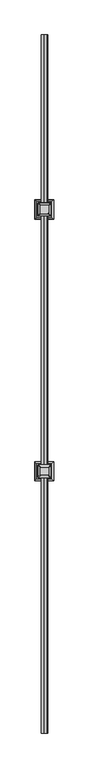
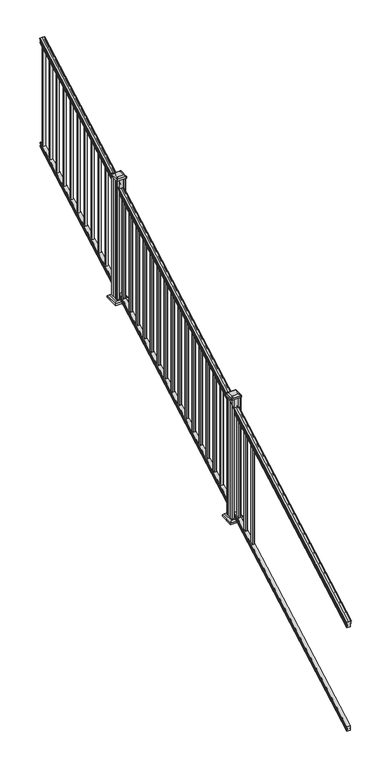
"""IFC4 building model written with IfcOpenShell, lengths in millimetres: railing geometry."""

from ifc_helpers import new_model, si_unit, point, frame, frame_2d, origin, place, context, project, spatial, polyline, circle_curve, ellipse_curve, trimmed, segment, composite_curve, outline, extrude, faceted_brep, source, transform, mapped, element, save
from ifc_brep_helpers import plane_surface, cylinder_surface, revolved_surface, extruded_surface, advanced_brep


def railing_7e4251e6(model_context):
    return source(origin(), model_context, "Body", "SolidModel", [
        advanced_brep(
        [(13711.0270946, 1778.9805319, 1263.5933), (13711.0270946, 1778.9805319, 1265.7531886), (13712.1572809, 1778.9805319, 1267.540347), (13712.1572809, 1778.9805319, 1275.7974153), (13711.5080245, 1778.9805319, 1278.5811654), (13714.0080245, 1778.9805319, 1283.5346527), (13715.417367, 1778.9805319, 1285.4560334), (13715.819266, 1778.9805319, 1286.7198045), (13715.8192659, 1778.9805319, 1288.2530343), (13714.2658186, 1778.9805319, 1290.0301141), (13693.5942659, 1778.9805319, 1290.0301141), (13672.9227131, 1778.9805319, 1290.0301141), (13671.3692659, 1778.9805319, 1288.2530343), (13671.3692659, 1778.9805319, 1286.7198045), (13671.7711648, 1778.9805319, 1285.4560334), (13673.1805072, 1778.9805319, 1283.5346527), (13675.6805072, 1778.9805319, 1278.5811654), (13675.0312508, 1778.9805319, 1275.7974153), (13675.0312508, 1778.9805319, 1267.540347), (13676.1614371, 1778.9805319, 1265.7531886), (13676.1614371, 1778.9805319, 1263.5933), (13678.7352659, 1778.9805319, 1263.5933), (13678.7352659, 1778.9805319, 1251.582302), (13677.7192659, 1778.9805319, 1250.4200397), (13677.7192659, 1778.9805319, 1236.1333333), (13709.4692659, 1778.9805319, 1236.1333333), (13709.4692659, 1778.9805319, 1250.2395054), (13708.4532659, 1778.9805319, 1251.4017677), (13708.4532659, 1778.9805319, 1263.5933), (13711.0270946, 6655.7805319, 3972.9266334), (13708.4532659, 6655.7805319, 3972.9266334), (13708.4532659, 6655.7805319, 3960.735101), (13709.4692659, 6655.7805319, 3959.5728388), (13709.4692659, 6655.7805319, 3945.4666667), (13677.7192659, 6655.7805319, 3945.4666667), (13677.7192659, 6655.7805319, 3959.7533731), (13678.7352659, 6655.7805319, 3960.9156353), (13678.7352659, 6655.7805319, 3972.9266334), (13676.1614371, 6655.7805319, 3972.9266334), (13676.1614371, 6655.7805319, 3975.0865219), (13675.0312508, 6655.7805319, 3976.8736803), (13675.0312508, 6655.7805319, 3985.1307486), (13675.6805072, 6655.7805319, 3987.9144987), (13673.1805072, 6655.7805319, 3992.8679861), (13671.7711648, 6655.7805319, 3994.7893668), (13671.3692658, 6655.7805319, 3996.0531378), (13671.3692659, 6655.7805319, 3997.5863676), (13672.9227131, 6655.7805319, 3999.3634474), (13693.5942659, 6655.7805319, 3999.3634474), (13714.2658186, 6655.7805319, 3999.3634474), (13715.8192659, 6655.7805319, 3997.5863676), (13715.8192659, 6655.7805319, 3996.0531378), (13715.417367, 6655.7805319, 3994.7893668), (13714.0080245, 6655.7805319, 3992.8679861), (13711.5080245, 6655.7805319, 3987.9144987), (13712.1572809, 6655.7805319, 3985.1307486), (13712.1572809, 6655.7805319, 3976.8736803), (13711.0270946, 6655.7805319, 3975.0865219)],
        [
            (0, 1),
            (1, 2, ellipse_curve(frame((13704.7123413, 1778.9805319, 1272.3403628), z_axis=(0.0, -1.0, 0.0), x_axis=(0.0, 0.0, -1.0)), 9.7762168, 8.545951)),
            (2, 3, ellipse_curve(frame((13705.1494043, 1778.9805319, 1271.6688811), z_axis=(0.0, -1.0, 0.0), x_axis=(0.0, 0.0, -1.0)), 9.0173521, 7.882584)),
            (3, 4, ellipse_curve(frame((13715.6627284, 1778.9805319, 1278.3582895), z_axis=(0.0, 1.0, 0.0), x_axis=(0.0, 0.0, 1.0)), 4.7580334, 4.1592695)),
            (4, 5, ellipse_curve(frame((13716.950035, 1778.9805319, 1278.2892329), z_axis=(0.0, 1.0, 0.0), x_axis=(0.0, 0.0, 1.0)), 6.2322774, 5.4479907)),
            (5, 6, ellipse_curve(frame((13715.7168765, 1778.9805319, 1283.5314345), z_axis=(0.0, 1.0, 0.0), x_axis=(0.0, 0.0, 1.0)), 1.9548591, 1.7088543)),
            (6, 7, ellipse_curve(frame((13714.0999764, 1778.9805319, 1286.7198045), z_axis=(0.0, -1.0, 0.0), x_axis=(0.0, 0.0, -1.0)), 1.9667965, 1.7192895)),
            (7, 8),
            (8, 9, ellipse_curve(frame((13714.2658186, 1778.9805319, 1288.2530343), z_axis=(0.0, -1.0, 0.0), x_axis=(0.0, 0.0, -1.0)), 1.7770798, 1.5534472)),
            (9, 10),
            (10, 11),
            (11, 12, ellipse_curve(frame((13672.9227131, 1778.9805319, 1288.2530343), z_axis=(0.0, -1.0, 0.0), x_axis=(0.0, 0.0, -1.0)), 1.7770798, 1.5534472)),
            (12, 13),
            (13, 14, ellipse_curve(frame((13673.0885553, 1778.9805319, 1286.7198045), z_axis=(0.0, -1.0, 0.0), x_axis=(0.0, 0.0, -1.0)), 1.9667965, 1.7192895)),
            (14, 15, ellipse_curve(frame((13671.4716552, 1778.9805319, 1283.5314345), z_axis=(0.0, 1.0, 0.0), x_axis=(0.0, 0.0, 1.0)), 1.9548591, 1.7088543)),
            (15, 16, ellipse_curve(frame((13670.2384968, 1778.9805319, 1278.2892329), z_axis=(0.0, 1.0, 0.0), x_axis=(0.0, 0.0, 1.0)), 6.2322774, 5.4479907)),
            (16, 17, ellipse_curve(frame((13671.5258033, 1778.9805319, 1278.3582895), z_axis=(0.0, 1.0, 0.0), x_axis=(0.0, 0.0, 1.0)), 4.7580334, 4.1592695)),
            (17, 18, ellipse_curve(frame((13682.0391275, 1778.9805319, 1271.6688811), z_axis=(0.0, -1.0, 0.0), x_axis=(0.0, 0.0, -1.0)), 9.0173521, 7.882584)),
            (18, 19, ellipse_curve(frame((13682.4761904, 1778.9805319, 1272.3403628), z_axis=(0.0, -1.0, 0.0), x_axis=(0.0, 0.0, -1.0)), 9.7762168, 8.545951)),
            (19, 20),
            (20, 21, ellipse_curve(frame((13677.4483515, 1778.9805319, 1263.5933), z_axis=(0.0, -1.0, 0.0), x_axis=(0.0, 0.0, -1.0)), 1.4721772, 1.2869144)),
            (21, 22),
            (22, 23),
            (23, 24),
            (24, 25),
            (25, 26),
            (26, 27),
            (27, 28),
            (28, 0, ellipse_curve(frame((13709.7401802, 1778.9805319, 1263.5933), z_axis=(0.0, -1.0, 0.0), x_axis=(0.0, 0.0, -1.0)), 1.4721772, 1.2869144)),
            (29, 30, ellipse_curve(frame((13709.7401802, 6655.7805319, 3972.9266334), z_axis=(0.0, 1.0, 0.0), x_axis=(0.0, 0.0, -1.0)), 1.4721772, 1.2869144)),
            (30, 31),
            (31, 32),
            (32, 33),
            (33, 34),
            (34, 35),
            (35, 36),
            (36, 37),
            (37, 38, ellipse_curve(frame((13677.4483515, 6655.7805319, 3972.9266334), z_axis=(0.0, 1.0, 0.0), x_axis=(0.0, 0.0, -1.0)), 1.4721772, 1.2869144)),
            (38, 39),
            (39, 40, ellipse_curve(frame((13682.4761904, 6655.7805319, 3981.6736961), z_axis=(0.0, 1.0, 0.0), x_axis=(0.0, 0.0, -1.0)), 9.7762168, 8.545951)),
            (40, 41, ellipse_curve(frame((13682.0391275, 6655.7805319, 3981.0022145), z_axis=(0.0, 1.0, 0.0), x_axis=(0.0, 0.0, -1.0)), 9.0173521, 7.882584)),
            (41, 42, ellipse_curve(frame((13671.5258033, 6655.7805319, 3987.6916228), z_axis=(0.0, -1.0, 0.0), x_axis=(0.0, 0.0, 1.0)), 4.7580334, 4.1592695)),
            (42, 43, ellipse_curve(frame((13670.2384968, 6655.7805319, 3987.6225663), z_axis=(0.0, -1.0, 0.0), x_axis=(0.0, 0.0, 1.0)), 6.2322774, 5.4479907)),
            (43, 44, ellipse_curve(frame((13671.4716552, 6655.7805319, 3992.8647678), z_axis=(0.0, -1.0, 0.0), x_axis=(0.0, 0.0, 1.0)), 1.9548591, 1.7088543)),
            (44, 45, ellipse_curve(frame((13673.0885553, 6655.7805319, 3996.0531378), z_axis=(0.0, 1.0, 0.0), x_axis=(0.0, 0.0, -1.0)), 1.9667965, 1.7192895)),
            (45, 46),
            (46, 47, ellipse_curve(frame((13672.9227131, 6655.7805319, 3997.5863676), z_axis=(0.0, 1.0, 0.0), x_axis=(0.0, 0.0, -1.0)), 1.7770798, 1.5534472)),
            (47, 48),
            (48, 49),
            (49, 50, ellipse_curve(frame((13714.2658186, 6655.7805319, 3997.5863676), z_axis=(0.0, 1.0, 0.0), x_axis=(0.0, 0.0, -1.0)), 1.7770798, 1.5534472)),
            (50, 51),
            (51, 52, ellipse_curve(frame((13714.0999764, 6655.7805319, 3996.0531378), z_axis=(0.0, 1.0, 0.0), x_axis=(0.0, 0.0, -1.0)), 1.9667965, 1.7192895)),
            (52, 53, ellipse_curve(frame((13715.7168765, 6655.7805319, 3992.8647678), z_axis=(0.0, -1.0, 0.0), x_axis=(0.0, 0.0, 1.0)), 1.9548591, 1.7088543)),
            (53, 54, ellipse_curve(frame((13716.950035, 6655.7805319, 3987.6225663), z_axis=(0.0, -1.0, 0.0), x_axis=(0.0, 0.0, 1.0)), 6.2322774, 5.4479907)),
            (54, 55, ellipse_curve(frame((13715.6627284, 6655.7805319, 3987.6916228), z_axis=(0.0, -1.0, 0.0), x_axis=(0.0, 0.0, 1.0)), 4.7580334, 4.1592695)),
            (55, 56, ellipse_curve(frame((13705.1494043, 6655.7805319, 3981.0022145), z_axis=(0.0, 1.0, 0.0), x_axis=(0.0, 0.0, -1.0)), 9.0173521, 7.882584)),
            (56, 57, ellipse_curve(frame((13704.7123413, 6655.7805319, 3981.6736961), z_axis=(0.0, 1.0, 0.0), x_axis=(0.0, 0.0, -1.0)), 9.7762168, 8.545951)),
            (57, 29),
            (0, 29),
            (57, 1),
            (56, 2),
            (55, 3),
            (54, 4),
            (53, 5),
            (52, 6),
            (51, 7),
            (50, 8),
            (49, 9),
            (48, 10),
            (47, 11),
            (46, 12),
            (45, 13),
            (44, 14),
            (43, 15),
            (42, 16),
            (41, 17),
            (40, 18),
            (39, 19),
            (38, 20),
            (37, 21),
            (36, 22),
            (35, 23),
            (34, 24),
            (33, 25),
            (32, 26),
            (31, 27),
            (30, 28),
        ],
        [
            plane_surface(frame((13693.5942659, 1778.9805319, 1236.1333333), z_axis=(0.0, -1.0, 0.0), x_axis=(0.0, 0.0, 1.0))),
            plane_surface(frame((13693.5942659, 6655.7805319, 3945.4666667), z_axis=(0.0, 1.0, 0.0), x_axis=(0.0, 0.0, 1.0))),
            plane_surface(frame((13711.0270946, 1778.9805319, 1263.5933), z_axis=(1.0, 0.0, 0.0), x_axis=(0.0, 0.87415727612157, 0.4856429311785741))),
            cylinder_surface(frame((13704.7123413, 1763.6096232, 1263.8009691), z_axis=(0.0, -0.87415727612157, -0.4856429311785741), x_axis=(-1.0, 0.0, 0.0)), 8.545951),
            cylinder_surface(frame((13705.1494043, 1763.8946861, 1263.2878557), z_axis=(0.0, -0.87415727612157, -0.4856429311785741), x_axis=(-1.0, 0.0, 0.0)), 7.882584),
            revolved_surface(polyline([(13711.5034589, 6657.80045174452, 3988.813800479864), (13711.5034589, 1776.960612079246, 1277.2361117773576)]), (13715.6627284, 1761.054843, 1268.3995734), (0.0, 0.87415727612157, 0.4856429311785741)),
            revolved_surface(polyline([(13711.5020443, 6658.42631004169, 3989.092443044958), (13711.5020443, 1776.3347537301895, 1276.8193562056595)]), (13716.950035, 1761.0841594, 1268.3468038), (0.0, 0.87415727612157, 0.4856429311785741)),
            revolved_surface(polyline([(13714.0080222, 6656.610424923767, 3993.3258194572227), (13714.0080222, 1778.1506389094347, 1283.0703827830175)]), (13715.7168765, 1758.8586965, 1272.352637), (0.0, 0.87415727612157, 0.4856429311785741)),
            cylinder_surface(frame((13714.0999764, 1757.5051432, 1274.789033), z_axis=(0.0, -0.87415727612157, -0.4856429311785741), x_axis=(-1.0, 0.0, 0.0)), 1.7192895),
            plane_surface(frame((13715.8192659, 1778.9805319, 1286.7198045), z_axis=(1.0, 0.0, 0.0), x_axis=(0.0, 0.87415727612157, 0.4856429311785742))),
            cylinder_surface(frame((13714.2658186, 1756.8542438, 1275.960652), z_axis=(0.0, -0.87415727612157, -0.4856429311785741), x_axis=(-1.0, 0.0, 0.0)), 1.5534472),
            plane_surface(frame((13714.2658186, 1778.9805319, 1290.0301141), z_axis=(0.0, -0.4856429311785741, 0.87415727612157), x_axis=(0.0, 0.87415727612157, 0.4856429311785741))),
            plane_surface(frame((13693.5942659, 1778.9805319, 1290.0301141), z_axis=(0.0, -0.4856429311785741, 0.87415727612157), x_axis=(0.0, 0.87415727612157, 0.4856429311785741))),
            cylinder_surface(frame((13672.9227131, 1756.8542438, 1275.960652), z_axis=(0.0, -0.87415727612157, -0.4856429311785741), x_axis=(1.0, 0.0, 0.0)), 1.5534472),
            plane_surface(frame((13671.3692659, 1778.9805319, 1288.2530343), z_axis=(-1.0, 0.0, 0.0), x_axis=(0.0, 0.87415727612157, 0.4856429311785742))),
            cylinder_surface(frame((13673.0885553, 1757.5051432, 1274.789033), z_axis=(0.0, -0.87415727612157, -0.4856429311785741), x_axis=(1.0, 0.0, 0.0)), 1.7192895),
            revolved_surface(polyline([(13673.180509500002, 6656.610424923767, 3993.3258194572227), (13673.180509500002, 1778.1506389094347, 1283.0703827830175)]), (13671.4716552, 1758.8586965, 1272.352637), (0.0, 0.87415727612157, 0.4856429311785741)),
            revolved_surface(polyline([(13675.686487500001, 6658.42631004169, 3989.092443044958), (13675.686487500001, 1776.3347537301895, 1276.8193562056595)]), (13670.2384968, 1761.0841594, 1268.3468038), (0.0, 0.87415727612157, 0.4856429311785741)),
            revolved_surface(polyline([(13675.685072799999, 6657.80045174452, 3988.813800479864), (13675.685072799999, 1776.960612079246, 1277.2361117773576)]), (13671.5258033, 1761.054843, 1268.3995734), (0.0, 0.87415727612157, 0.4856429311785741)),
            cylinder_surface(frame((13682.0391275, 1763.8946861, 1263.2878557), z_axis=(0.0, -0.87415727612157, -0.4856429311785741), x_axis=(1.0, 0.0, 0.0)), 7.882584),
            cylinder_surface(frame((13682.4761904, 1763.6096232, 1263.8009691), z_axis=(0.0, -0.87415727612157, -0.4856429311785741), x_axis=(1.0, 0.0, 0.0)), 8.545951),
            plane_surface(frame((13676.1614371, 1778.9805319, 1265.7531886), z_axis=(-1.0, 0.0, 0.0), x_axis=(0.0, 0.87415727612157, 0.4856429311785741))),
            cylinder_surface(frame((13677.4483515, 1767.3229989, 1257.1168928), z_axis=(0.0, -0.87415727612157, -0.4856429311785741), x_axis=(1.0, 0.0, 0.0)), 1.2869144),
            plane_surface(frame((13678.7352659, 1778.9805319, 1263.5933), z_axis=(-1.0, 0.0, 0.0), x_axis=(0.0, 0.87415727612157, 0.4856429311785741))),
            plane_surface(frame((13678.7352659, 1778.9805319, 1251.582302), z_axis=(-0.7071067811865438, -0.34340140987168255, 0.6181225377691273), x_axis=(0.0, 0.87415727612157, 0.4856429311785742))),
            plane_surface(frame((13677.7192659, 1778.9805319, 1250.4200397), z_axis=(-1.0, 0.0, 0.0), x_axis=(0.0, 0.87415727612157, 0.4856429311785741))),
            plane_surface(frame((13677.7192659, 1778.9805319, 1236.1333333), z_axis=(0.0, 0.4856429311785741, -0.87415727612157), x_axis=(0.0, 0.87415727612157, 0.4856429311785741))),
            plane_surface(frame((13709.4692659, 1778.9805319, 1236.1333333), z_axis=(1.0, 0.0, 0.0), x_axis=(0.0, 0.87415727612157, 0.4856429311785742))),
            plane_surface(frame((13709.4692659, 1778.9805319, 1250.2395054), z_axis=(0.7071067811865391, -0.34340140987168666, 0.6181225377691304), x_axis=(0.0, 0.87415727612157, 0.4856429311785741))),
            plane_surface(frame((13708.4532659, 1778.9805319, 1251.4017677), z_axis=(1.0, 0.0, 0.0), x_axis=(0.0, 0.87415727612157, 0.4856429311785741))),
            cylinder_surface(frame((13709.7401802, 1767.3229989, 1257.1168928), z_axis=(0.0, -0.87415727612157, -0.4856429311785741), x_axis=(-1.0, 0.0, 0.0)), 1.2869144),
        ],
        [
            (0, [[1, 2, 3, 4, 5, 6, 7, 8, 9, 10, 11, 12, 13, 14, 15, 16, 17, 18, 19, 20, 21, 22, 23, 24, 25, 26, 27, 28, 29]]),
            (1, [[30, 31, 32, 33, 34, 35, 36, 37, 38, 39, 40, 41, 42, 43, 44, 45, 46, 47, 48, 49, 50, 51, 52, 53, 54, 55, 56, 57, 58]]),
            (2, [[-1, 59, -58, 60]]),
            (3, [[-2, -60, -57, 61]]),
            (4, [[-3, -61, -56, 62]]),
            (5, [[-4, -62, -55, 63]]),
            (6, [[-5, -63, -54, 64]]),
            (7, [[-6, -64, -53, 65]]),
            (8, [[-7, -65, -52, 66]]),
            (9, [[-8, -66, -51, 67]]),
            (10, [[-9, -67, -50, 68]]),
            (11, [[-10, -68, -49, 69]]),
            (12, [[-11, -69, -48, 70]]),
            (13, [[-12, -70, -47, 71]]),
            (14, [[-13, -71, -46, 72]]),
            (15, [[-14, -72, -45, 73]]),
            (16, [[-15, -73, -44, 74]]),
            (17, [[-16, -74, -43, 75]]),
            (18, [[-17, -75, -42, 76]]),
            (19, [[-18, -76, -41, 77]]),
            (20, [[-19, -77, -40, 78]]),
            (21, [[-20, -78, -39, 79]]),
            (22, [[-21, -79, -38, 80]]),
            (23, [[-22, -80, -37, 81]]),
            (24, [[-23, -81, -36, 82]]),
            (25, [[-24, -82, -35, 83]]),
            (26, [[-25, -83, -34, 84]]),
            (27, [[-26, -84, -33, 85]]),
            (28, [[-27, -85, -32, 86]]),
            (29, [[-28, -86, -31, 87]]),
            (30, [[-29, -87, -30, -59]]),
        ],
    ),
        faceted_brep([(13709.5067528, 1778.9805319, 247.1948195), (13708.4907528, 1778.9805319, 248.6824473), (13708.4907528, 1778.9805319, 260.5333506), (13709.5067528, 1778.9805319, 262.0757247), (13709.5067528, 1778.9805319, 276.4134523), (13677.7567528, 1778.9805319, 276.4134523), (13677.7567528, 1778.9805319, 262.0566814), (13678.7727528, 1778.9805319, 260.5143074), (13678.7727528, 1778.9805319, 248.7181503), (13677.7567528, 1778.9805319, 247.1757762), (13677.7567528, 1778.9805319, 232.8333333), (13709.5067528, 1778.9805319, 232.8333333), (13709.5067528, 6655.7805319, 2956.5281528), (13709.5067528, 6655.7805319, 2942.1666667), (13677.7567528, 6655.7805319, 2942.1666667), (13677.7567528, 6655.7805319, 2956.5091096), (13678.7727528, 6655.7805319, 2958.0514837), (13678.7727528, 6655.7805319, 2969.8476407), (13677.7567528, 6655.7805319, 2971.3900148), (13677.7567528, 6655.7805319, 2985.7467856), (13709.5067528, 6655.7805319, 2985.7467856), (13709.5067528, 6655.7805319, 2971.409058), (13708.4907528, 6655.7805319, 2969.8666839), (13708.4907528, 6655.7805319, 2958.0157807)], [[[0, 1, 2, 3, 4, 5, 6, 7, 8, 9, 10, 11]], [[12, 13, 14, 15, 16, 17, 18, 19, 20, 21, 22, 23]], [[1, 0, 12, 23]], [[2, 1, 23, 22]], [[3, 2, 22, 21]], [[4, 3, 21, 20]], [[5, 4, 20, 19]], [[6, 5, 19, 18]], [[7, 6, 18, 17]], [[8, 7, 17, 16]], [[9, 8, 16, 15]], [[10, 9, 15, 14]], [[11, 10, 14, 13]], [[0, 11, 13, 12]]]),
        extrude(outline(polyline([(13703.1192659, 6619.2680319), (13684.0692659, 6619.2680319), (13684.0692659, 6638.3180319), (13703.1192659, 6638.3180319), (13703.1192659, 6619.2680319)]), holes=[polyline([(13702.7223909, 6619.6649069), (13702.7223909, 6637.9211569), (13684.4661409, 6637.9211569), (13684.4661409, 6619.6649069), (13702.7223909, 6619.6649069)])]), frame((0.0, 0.0, 2965.2694892), z_axis=(0.0, 0.0, 1.0), x_axis=(1.0, 0.0, 0.0)), (0.0, 0.0, 1.0), 965.2041219),
        extrude(outline(polyline([(13703.1192659, 6508.1430319), (13684.0692659, 6508.1430319), (13684.0692659, 6527.1930319), (13703.1192659, 6527.1930319), (13703.1192659, 6508.1430319)]), holes=[polyline([(13702.7223909, 6508.5399069), (13702.7223909, 6526.7961569), (13684.4661409, 6526.7961569), (13684.4661409, 6508.5399069), (13702.7223909, 6508.5399069)])]), frame((0.0, 0.0, 2903.5333781), z_axis=(0.0, 0.0, 1.0), x_axis=(1.0, 0.0, 0.0)), (0.0, 0.0, 1.0), 965.2041219),
        extrude(outline(polyline([(13703.1192659, 6397.0180319), (13684.0692659, 6397.0180319), (13684.0692659, 6416.0680319), (13703.1192659, 6416.0680319), (13703.1192659, 6397.0180319)]), holes=[polyline([(13702.7223909, 6397.4149069), (13702.7223909, 6415.6711569), (13684.4661409, 6415.6711569), (13684.4661409, 6397.4149069), (13702.7223909, 6397.4149069)])]), frame((0.0, 0.0, 2841.797267), z_axis=(0.0, 0.0, 1.0), x_axis=(1.0, 0.0, 0.0)), (0.0, 0.0, 1.0), 965.2041219),
        extrude(outline(polyline([(13703.1192659, 6285.8930319), (13684.0692659, 6285.8930319), (13684.0692659, 6304.9430319), (13703.1192659, 6304.9430319), (13703.1192659, 6285.8930319)]), holes=[polyline([(13702.7223909, 6286.2899069), (13702.7223909, 6304.5461569), (13684.4661409, 6304.5461569), (13684.4661409, 6286.2899069), (13702.7223909, 6286.2899069)])]), frame((0.0, 0.0, 2780.0611558), z_axis=(0.0, 0.0, 1.0), x_axis=(1.0, 0.0, 0.0)), (0.0, 0.0, 1.0), 965.2041219),
        extrude(outline(polyline([(13703.1192659, 6174.7680319), (13684.0692659, 6174.7680319), (13684.0692659, 6193.8180319), (13703.1192659, 6193.8180319), (13703.1192659, 6174.7680319)]), holes=[polyline([(13702.7223909, 6175.1649069), (13702.7223909, 6193.4211569), (13684.4661409, 6193.4211569), (13684.4661409, 6175.1649069), (13702.7223909, 6175.1649069)])]), frame((0.0, 0.0, 2718.3250447), z_axis=(0.0, 0.0, 1.0), x_axis=(1.0, 0.0, 0.0)), (0.0, 0.0, 1.0), 965.2041219),
        extrude(outline(polyline([(13703.1192659, 6063.6430319), (13684.0692659, 6063.6430319), (13684.0692659, 6082.6930319), (13703.1192659, 6082.6930319), (13703.1192659, 6063.6430319)]), holes=[polyline([(13702.7223909, 6064.0399069), (13702.7223909, 6082.2961569), (13684.4661409, 6082.2961569), (13684.4661409, 6064.0399069), (13702.7223909, 6064.0399069)])]), frame((0.0, 0.0, 2656.5889336), z_axis=(0.0, 0.0, 1.0), x_axis=(1.0, 0.0, 0.0)), (0.0, 0.0, 1.0), 965.2041219),
        extrude(outline(polyline([(13703.1192659, 5952.5180319), (13684.0692659, 5952.5180319), (13684.0692659, 5971.5680319), (13703.1192659, 5971.5680319), (13703.1192659, 5952.5180319)]), holes=[polyline([(13702.7223909, 5952.9149069), (13702.7223909, 5971.1711569), (13684.4661409, 5971.1711569), (13684.4661409, 5952.9149069), (13702.7223909, 5952.9149069)])]), frame((0.0, 0.0, 2594.8528225), z_axis=(0.0, 0.0, 1.0), x_axis=(1.0, 0.0, 0.0)), (0.0, 0.0, 1.0), 965.2041219),
        extrude(outline(polyline([(13703.1192659, 5841.3930319), (13684.0692659, 5841.3930319), (13684.0692659, 5860.4430319), (13703.1192659, 5860.4430319), (13703.1192659, 5841.3930319)]), holes=[polyline([(13702.7223909, 5841.7899069), (13702.7223909, 5860.0461569), (13684.4661409, 5860.0461569), (13684.4661409, 5841.7899069), (13702.7223909, 5841.7899069)])]), frame((0.0, 0.0, 2533.1167114), z_axis=(0.0, 0.0, 1.0), x_axis=(1.0, 0.0, 0.0)), (0.0, 0.0, 1.0), 965.2041219),
        extrude(outline(polyline([(13703.1192659, 5730.2680319), (13684.0692659, 5730.2680319), (13684.0692659, 5749.3180319), (13703.1192659, 5749.3180319), (13703.1192659, 5730.2680319)]), holes=[polyline([(13702.7223909, 5730.6649069), (13702.7223909, 5748.9211569), (13684.4661409, 5748.9211569), (13684.4661409, 5730.6649069), (13702.7223909, 5730.6649069)])]), frame((0.0, 0.0, 2471.3806003), z_axis=(0.0, 0.0, 1.0), x_axis=(1.0, 0.0, 0.0)), (0.0, 0.0, 1.0), 965.2041219),
        extrude(outline(polyline([(13703.1192659, 5619.1430319), (13684.0692659, 5619.1430319), (13684.0692659, 5638.1930319), (13703.1192659, 5638.1930319), (13703.1192659, 5619.1430319)]), holes=[polyline([(13702.7223909, 5619.5399069), (13702.7223909, 5637.7961569), (13684.4661409, 5637.7961569), (13684.4661409, 5619.5399069), (13702.7223909, 5619.5399069)])]), frame((0.0, 0.0, 2409.6444892), z_axis=(0.0, 0.0, 1.0), x_axis=(1.0, 0.0, 0.0)), (0.0, 0.0, 1.0), 965.2041219),
        extrude(outline(polyline([(13703.1192659, 5508.0180319), (13684.0692659, 5508.0180319), (13684.0692659, 5527.0680319), (13703.1192659, 5527.0680319), (13703.1192659, 5508.0180319)]), holes=[polyline([(13702.7223909, 5508.4149069), (13702.7223909, 5526.6711569), (13684.4661409, 5526.6711569), (13684.4661409, 5508.4149069), (13702.7223909, 5508.4149069)])]), frame((0.0, 0.0, 2347.9083781), z_axis=(0.0, 0.0, 1.0), x_axis=(1.0, 0.0, 0.0)), (0.0, 0.0, 1.0), 965.2041219),
        faceted_brep([(13746.1802034, 5383.9945944, 2229.9083333), (13746.1802034, 5489.1664694, 2229.9083333), (13641.0083284, 5489.1664694, 2229.9083333), (13641.0083284, 5383.9945944, 2229.9083333), (13760.2196565, 5369.9551413, 2216.5733333), (13626.9688753, 5369.9551413, 2216.5733333), (13626.9688753, 5503.2059225, 2216.5733333), (13760.2196565, 5503.2059225, 2216.5733333)], [[[0, 1, 2, 3]], [[4, 5, 6, 7]], [[4, 0, 3, 5]], [[5, 3, 2, 6]], [[6, 2, 1, 7]], [[7, 1, 0, 4]]]),
        extrude(outline(polyline([(13760.2196565, 5369.9551413), (13626.9688753, 5369.9551413), (13626.9688753, 5503.2059225), (13760.2196565, 5503.2059225), (13760.2196565, 5369.9551413)])), frame((0.0, 0.0, 2201.3333333), z_axis=(0.0, 0.0, 1.0), x_axis=(1.0, 0.0, 0.0)), (0.0, 0.0, 1.0), 15.24),
        advanced_brep(
        [(13667.7973909, 5407.6086569, 3413.6725964), (13719.3911409, 5407.6086569, 3413.6725964), (13722.5661409, 5410.7836569, 3413.6725964), (13722.5661409, 5462.3774069, 3413.6725964), (13719.3911409, 5465.5524069, 3413.6725964), (13667.7973909, 5465.5524069, 3413.6725964), (13664.6223909, 5462.3774069, 3413.6725964), (13664.6223909, 5410.7836569, 3413.6725964), (13651.5255159, 5391.3367819, 3402.3695964), (13648.3505159, 5394.5117819, 3402.3695964), (13648.3505159, 5478.6492819, 3402.3695964), (13651.5255159, 5481.8242819, 3402.3695964), (13735.6630159, 5481.8242819, 3402.3695964), (13738.8380159, 5478.6492819, 3402.3695964), (13738.8380159, 5394.5117819, 3402.3695964), (13735.6630159, 5391.3367819, 3402.3695964)],
        [
            (0, 1),
            (1, 2, circle_curve(frame((13719.3911409, 5410.7836569, 3413.6725964), z_axis=(0.0, 0.0, 1.0), x_axis=(0.0, 1.0, 0.0)), 3.175)),
            (2, 3),
            (3, 4, circle_curve(frame((13719.3911409, 5462.3774069, 3413.6725964), z_axis=(0.0, 0.0, 1.0), x_axis=(0.0, 1.0, 0.0)), 3.175)),
            (4, 5),
            (5, 6, circle_curve(frame((13667.7973909, 5462.3774069, 3413.6725964), z_axis=(0.0, 0.0, 1.0), x_axis=(0.0, 1.0, 0.0)), 3.175)),
            (6, 7),
            (7, 0, circle_curve(frame((13667.7973909, 5410.7836569, 3413.6725964), z_axis=(0.0, 0.0, 1.0), x_axis=(0.0, 1.0, 0.0)), 3.175)),
            (8, 9, circle_curve(frame((13651.5255159, 5394.5117819, 3402.3695964), z_axis=(0.0, 0.0, -1.0), x_axis=(0.0, 1.0, 0.0)), 3.175)),
            (9, 10),
            (10, 11, circle_curve(frame((13651.5255159, 5478.6492819, 3402.3695964), z_axis=(0.0, 0.0, -1.0), x_axis=(0.0, 1.0, 0.0)), 3.175)),
            (11, 12),
            (12, 13, circle_curve(frame((13735.6630159, 5478.6492819, 3402.3695964), z_axis=(0.0, 0.0, -1.0), x_axis=(0.0, 1.0, 0.0)), 3.175)),
            (13, 14),
            (14, 15, circle_curve(frame((13735.6630159, 5394.5117819, 3402.3695964), z_axis=(0.0, 0.0, -1.0), x_axis=(0.0, 1.0, 0.0)), 3.175)),
            (15, 8),
            (8, 0),
            (7, 9),
            (6, 10),
            (5, 11),
            (4, 12),
            (3, 13),
            (2, 14),
            (1, 15),
        ],
        [
            plane_surface(frame((13693.5942659, 5436.5805319, 3413.6725964), z_axis=(0.0, 0.0, 1.0), x_axis=(-1.0, 0.0, 0.0))),
            plane_surface(frame((13693.5942659, 5436.5805319, 3402.3695964), z_axis=(0.0, 0.0, -1.0), x_axis=(-1.0, 0.0, 0.0))),
            extruded_surface(trimmed(circle_curve(frame((13667.7973909, 5410.7836569, 3413.6725964), z_axis=(0.0, 0.0, -1.0), x_axis=(0.0, 1.0, 0.0)), 3.175), [point((13667.7973909, 5407.6086569, 3413.6725964))], [point((13664.6223909, 5410.7836569, 3413.6725964))], True, "CARTESIAN"), (-16.271874999998545, -16.271875000000364, -11.303000000000338), 25.63797263886562),
            plane_surface(frame((13648.3505159, 5436.5805319, 3402.3695964), z_axis=(-0.5705009161540778, 0.0, 0.8212969649690408), x_axis=(0.0, 1.0, 0.0))),
            extruded_surface(trimmed(circle_curve(frame((13667.7973909, 5462.3774069, 3413.6725964), z_axis=(0.0, 0.0, -1.0), x_axis=(0.0, 1.0, 0.0)), 3.175), [point((13664.6223909, 5462.3774069, 3413.6725964))], [point((13667.7973909, 5465.5524069, 3413.6725964))], True, "CARTESIAN"), (-16.271874999998545, 16.271874999999454, -11.303000000000338), 25.63797263886504),
            plane_surface(frame((13693.5942659, 5481.8242819, 3402.3695964), z_axis=(0.0, 0.5705009161540291, 0.8212969649690747), x_axis=(1.0, 0.0, 0.0))),
            extruded_surface(trimmed(circle_curve(frame((13719.3911409, 5462.3774069, 3413.6725964), z_axis=(0.0, 0.0, -1.0), x_axis=(0.0, 1.0, 0.0)), 3.175), [point((13719.3911409, 5465.5524069, 3413.6725964))], [point((13722.5661409, 5462.3774069, 3413.6725964))], True, "CARTESIAN"), (16.271875000000364, 16.271874999999454, -11.303000000000338), 25.6379726388662),
            plane_surface(frame((13738.8380159, 5436.5805319, 3402.3695964), z_axis=(0.5705009161540142, 0.0, 0.8212969649690851), x_axis=(0.0, -1.0, 0.0))),
            extruded_surface(trimmed(circle_curve(frame((13719.3911409, 5410.7836569, 3413.6725964), z_axis=(0.0, 0.0, -1.0), x_axis=(0.0, 1.0, 0.0)), 3.175), [point((13722.5661409, 5410.7836569, 3413.6725964))], [point((13719.3911409, 5407.6086569, 3413.6725964))], True, "CARTESIAN"), (16.271875000000364, -16.271875000000364, -11.303000000000338), 25.637972638866774),
            plane_surface(frame((13693.5942659, 5391.3367819, 3402.3695964), z_axis=(0.0, -0.570500916154034, 0.8212969649690713), x_axis=(-1.0, 0.0, 0.0))),
        ],
        [
            (0, [[1, 2, 3, 4, 5, 6, 7, 8]]),
            (1, [[9, 10, 11, 12, 13, 14, 15, 16]]),
            (2, [[17, -8, 18, -9]]),
            (3, [[-18, -7, 19, -10]]),
            (4, [[-19, -6, 20, -11]]),
            (5, [[-20, -5, 21, -12]]),
            (6, [[-21, -4, 22, -13]]),
            (7, [[-22, -3, 23, -14]]),
            (8, [[-23, -2, 24, -15]]),
            (9, [[-24, -1, -17, -16]]),
        ],
    ),
        extrude(outline(composite_curve([segment(trimmed(circle_curve(frame_2d((13651.5255159, 5394.5117819)), 3.175), [point((13651.5255159, 5391.3367819))], [point((13648.3505159, 5394.5117819))], False, "CARTESIAN"), True, "CONTINUOUS"), segment(polyline([(13648.3505159, 5394.5117819), (13648.3505159, 5478.6492819)]), True, "CONTINUOUS"), segment(trimmed(circle_curve(frame_2d((13651.5255159, 5478.6492819)), 3.175), [point((13648.3505159, 5478.6492819))], [point((13651.5255159, 5481.8242819))], False, "CARTESIAN"), True, "CONTINUOUS"), segment(polyline([(13651.5255159, 5481.8242819), (13735.6630159, 5481.8242819)]), True, "CONTINUOUS"), segment(trimmed(circle_curve(frame_2d((13735.6630159, 5478.6492819)), 3.175), [point((13735.6630159, 5481.8242819))], [point((13738.8380159, 5478.6492819))], False, "CARTESIAN"), True, "CONTINUOUS"), segment(polyline([(13738.8380159, 5478.6492819), (13738.8380159, 5394.5117819)]), True, "CONTINUOUS"), segment(trimmed(circle_curve(frame_2d((13735.6630159, 5394.5117819)), 3.175), [point((13738.8380159, 5394.5117819))], [point((13735.6630159, 5391.3367819))], False, "CARTESIAN"), True, "CONTINUOUS"), segment(polyline([(13735.6630159, 5391.3367819), (13651.5255159, 5391.3367819)]), True, "CONTINUOUS")], self_intersect=False)), frame((0.0, 0.0, 3385.0975964), z_axis=(0.0, 0.0, 1.0), x_axis=(1.0, 0.0, 0.0)), (0.0, 0.0, 1.0), 17.272),
        extrude(outline(polyline([(13653.9067659, 5395.3055319), (13652.3192659, 5396.8930319), (13652.3192659, 5416.5145319), (13653.9067659, 5417.2765319), (13653.9067659, 5455.8845319), (13652.3192659, 5456.6465319), (13652.3192659, 5476.2680319), (13653.9067659, 5477.8555319), (13673.5282659, 5477.8555319), (13674.2902659, 5476.2680319), (13712.8982659, 5476.2680319), (13713.6602659, 5477.8555319), (13733.2817659, 5477.8555319), (13734.8692659, 5476.2680319), (13734.8692659, 5456.6465319), (13733.2817659, 5455.8845319), (13733.2817659, 5417.2765319), (13734.8692659, 5416.5145319), (13734.8692659, 5396.8930319), (13733.2817659, 5395.3055319), (13713.6602659, 5395.3055319), (13712.8982659, 5396.8930319), (13674.2902659, 5396.8930319), (13673.5282659, 5395.3055319), (13653.9067659, 5395.3055319)])), frame((0.0, 0.0, 2201.3333333), z_axis=(0.0, 0.0, 1.0), x_axis=(1.0, 0.0, 0.0)), (0.0, 0.0, 1.0), 1183.764263),
        extrude(outline(polyline([(13703.1192659, 5346.0930319), (13684.0692659, 5346.0930319), (13684.0692659, 5365.1430319), (13703.1192659, 5365.1430319), (13703.1192659, 5346.0930319)]), holes=[polyline([(13702.7223909, 5346.4899069), (13702.7223909, 5364.7461569), (13684.4661409, 5364.7461569), (13684.4661409, 5346.4899069), (13702.7223909, 5346.4899069)])]), frame((0.0, 0.0, 2257.9500447), z_axis=(0.0, 0.0, 1.0), x_axis=(1.0, 0.0, 0.0)), (0.0, 0.0, 1.0), 965.2041219),
        extrude(outline(polyline([(13703.1192659, 5234.9680319), (13684.0692659, 5234.9680319), (13684.0692659, 5254.0180319), (13703.1192659, 5254.0180319), (13703.1192659, 5234.9680319)]), holes=[polyline([(13702.7223909, 5235.3649069), (13702.7223909, 5253.6211569), (13684.4661409, 5253.6211569), (13684.4661409, 5235.3649069), (13702.7223909, 5235.3649069)])]), frame((0.0, 0.0, 2196.2139336), z_axis=(0.0, 0.0, 1.0), x_axis=(1.0, 0.0, 0.0)), (0.0, 0.0, 1.0), 965.2041219),
        extrude(outline(polyline([(13703.1192659, 5123.8430319), (13684.0692659, 5123.8430319), (13684.0692659, 5142.8930319), (13703.1192659, 5142.8930319), (13703.1192659, 5123.8430319)]), holes=[polyline([(13702.7223909, 5124.2399069), (13702.7223909, 5142.4961569), (13684.4661409, 5142.4961569), (13684.4661409, 5124.2399069), (13702.7223909, 5124.2399069)])]), frame((0.0, 0.0, 2134.4778225), z_axis=(0.0, 0.0, 1.0), x_axis=(1.0, 0.0, 0.0)), (0.0, 0.0, 1.0), 965.2041219),
        extrude(outline(polyline([(13703.1192659, 5012.7180319), (13684.0692659, 5012.7180319), (13684.0692659, 5031.7680319), (13703.1192659, 5031.7680319), (13703.1192659, 5012.7180319)]), holes=[polyline([(13702.7223909, 5013.1149069), (13702.7223909, 5031.3711569), (13684.4661409, 5031.3711569), (13684.4661409, 5013.1149069), (13702.7223909, 5013.1149069)])]), frame((0.0, 0.0, 2072.7417114), z_axis=(0.0, 0.0, 1.0), x_axis=(1.0, 0.0, 0.0)), (0.0, 0.0, 1.0), 965.2041219),
        extrude(outline(polyline([(13703.1192659, 4901.5930319), (13684.0692659, 4901.5930319), (13684.0692659, 4920.6430319), (13703.1192659, 4920.6430319), (13703.1192659, 4901.5930319)]), holes=[polyline([(13702.7223909, 4901.9899069), (13702.7223909, 4920.2461569), (13684.4661409, 4920.2461569), (13684.4661409, 4901.9899069), (13702.7223909, 4901.9899069)])]), frame((0.0, 0.0, 2011.0056003), z_axis=(0.0, 0.0, 1.0), x_axis=(1.0, 0.0, 0.0)), (0.0, 0.0, 1.0), 965.2041219),
        extrude(outline(polyline([(13703.1192659, 4790.4680319), (13684.0692659, 4790.4680319), (13684.0692659, 4809.5180319), (13703.1192659, 4809.5180319), (13703.1192659, 4790.4680319)]), holes=[polyline([(13702.7223909, 4790.8649069), (13702.7223909, 4809.1211569), (13684.4661409, 4809.1211569), (13684.4661409, 4790.8649069), (13702.7223909, 4790.8649069)])]), frame((0.0, 0.0, 1949.2694892), z_axis=(0.0, 0.0, 1.0), x_axis=(1.0, 0.0, 0.0)), (0.0, 0.0, 1.0), 965.2041219),
        extrude(outline(polyline([(13703.1192659, 4679.3430319), (13684.0692659, 4679.3430319), (13684.0692659, 4698.3930319), (13703.1192659, 4698.3930319), (13703.1192659, 4679.3430319)]), holes=[polyline([(13702.7223909, 4679.7399069), (13702.7223909, 4697.9961569), (13684.4661409, 4697.9961569), (13684.4661409, 4679.7399069), (13702.7223909, 4679.7399069)])]), frame((0.0, 0.0, 1887.5333781), z_axis=(0.0, 0.0, 1.0), x_axis=(1.0, 0.0, 0.0)), (0.0, 0.0, 1.0), 965.2041219),
        extrude(outline(polyline([(13703.1192659, 4568.2180319), (13684.0692659, 4568.2180319), (13684.0692659, 4587.2680319), (13703.1192659, 4587.2680319), (13703.1192659, 4568.2180319)]), holes=[polyline([(13702.7223909, 4568.6149069), (13702.7223909, 4586.8711569), (13684.4661409, 4586.8711569), (13684.4661409, 4568.6149069), (13702.7223909, 4568.6149069)])]), frame((0.0, 0.0, 1825.797267), z_axis=(0.0, 0.0, 1.0), x_axis=(1.0, 0.0, 0.0)), (0.0, 0.0, 1.0), 965.2041219),
        extrude(outline(polyline([(13703.1192659, 4457.0930319), (13684.0692659, 4457.0930319), (13684.0692659, 4476.1430319), (13703.1192659, 4476.1430319), (13703.1192659, 4457.0930319)]), holes=[polyline([(13702.7223909, 4457.4899069), (13702.7223909, 4475.7461569), (13684.4661409, 4475.7461569), (13684.4661409, 4457.4899069), (13702.7223909, 4457.4899069)])]), frame((0.0, 0.0, 1764.0611558), z_axis=(0.0, 0.0, 1.0), x_axis=(1.0, 0.0, 0.0)), (0.0, 0.0, 1.0), 965.2041219),
        extrude(outline(polyline([(13703.1192659, 4345.9680319), (13684.0692659, 4345.9680319), (13684.0692659, 4365.0180319), (13703.1192659, 4365.0180319), (13703.1192659, 4345.9680319)]), holes=[polyline([(13702.7223909, 4346.3649069), (13702.7223909, 4364.6211569), (13684.4661409, 4364.6211569), (13684.4661409, 4346.3649069), (13702.7223909, 4346.3649069)])]), frame((0.0, 0.0, 1702.3250447), z_axis=(0.0, 0.0, 1.0), x_axis=(1.0, 0.0, 0.0)), (0.0, 0.0, 1.0), 965.2041219),
        extrude(outline(polyline([(13703.1192659, 4234.8430319), (13684.0692659, 4234.8430319), (13684.0692659, 4253.8930319), (13703.1192659, 4253.8930319), (13703.1192659, 4234.8430319)]), holes=[polyline([(13702.7223909, 4235.2399069), (13702.7223909, 4253.4961569), (13684.4661409, 4253.4961569), (13684.4661409, 4235.2399069), (13702.7223909, 4235.2399069)])]), frame((0.0, 0.0, 1640.5889336), z_axis=(0.0, 0.0, 1.0), x_axis=(1.0, 0.0, 0.0)), (0.0, 0.0, 1.0), 965.2041219),
        extrude(outline(polyline([(13703.1192659, 4123.7180319), (13684.0692659, 4123.7180319), (13684.0692659, 4142.7680319), (13703.1192659, 4142.7680319), (13703.1192659, 4123.7180319)]), holes=[polyline([(13702.7223909, 4124.1149069), (13702.7223909, 4142.3711569), (13684.4661409, 4142.3711569), (13684.4661409, 4124.1149069), (13702.7223909, 4124.1149069)])]), frame((0.0, 0.0, 1578.8528225), z_axis=(0.0, 0.0, 1.0), x_axis=(1.0, 0.0, 0.0)), (0.0, 0.0, 1.0), 965.2041219),
        extrude(outline(polyline([(13703.1192659, 4012.5930319), (13684.0692659, 4012.5930319), (13684.0692659, 4031.6430319), (13703.1192659, 4031.6430319), (13703.1192659, 4012.5930319)]), holes=[polyline([(13702.7223909, 4012.9899069), (13702.7223909, 4031.2461569), (13684.4661409, 4031.2461569), (13684.4661409, 4012.9899069), (13702.7223909, 4012.9899069)])]), frame((0.0, 0.0, 1517.1167114), z_axis=(0.0, 0.0, 1.0), x_axis=(1.0, 0.0, 0.0)), (0.0, 0.0, 1.0), 965.2041219),
        extrude(outline(polyline([(13703.1192659, 3901.4680319), (13684.0692659, 3901.4680319), (13684.0692659, 3920.5180319), (13703.1192659, 3920.5180319), (13703.1192659, 3901.4680319)]), holes=[polyline([(13702.7223909, 3901.8649069), (13702.7223909, 3920.1211569), (13684.4661409, 3920.1211569), (13684.4661409, 3901.8649069), (13702.7223909, 3901.8649069)])]), frame((0.0, 0.0, 1455.3806003), z_axis=(0.0, 0.0, 1.0), x_axis=(1.0, 0.0, 0.0)), (0.0, 0.0, 1.0), 965.2041219),
        extrude(outline(polyline([(13703.1192659, 3790.3430319), (13684.0692659, 3790.3430319), (13684.0692659, 3809.3930319), (13703.1192659, 3809.3930319), (13703.1192659, 3790.3430319)]), holes=[polyline([(13702.7223909, 3790.7399069), (13702.7223909, 3808.9961569), (13684.4661409, 3808.9961569), (13684.4661409, 3790.7399069), (13702.7223909, 3790.7399069)])]), frame((0.0, 0.0, 1393.6444892), z_axis=(0.0, 0.0, 1.0), x_axis=(1.0, 0.0, 0.0)), (0.0, 0.0, 1.0), 965.2041219),
        extrude(outline(polyline([(13703.1192659, 3679.2180319), (13684.0692659, 3679.2180319), (13684.0692659, 3698.2680319), (13703.1192659, 3698.2680319), (13703.1192659, 3679.2180319)]), holes=[polyline([(13702.7223909, 3679.6149069), (13702.7223909, 3697.8711569), (13684.4661409, 3697.8711569), (13684.4661409, 3679.6149069), (13702.7223909, 3679.6149069)])]), frame((0.0, 0.0, 1331.9083781), z_axis=(0.0, 0.0, 1.0), x_axis=(1.0, 0.0, 0.0)), (0.0, 0.0, 1.0), 965.2041219),
        faceted_brep([(13746.1802034, 3555.1945944, 1213.9083333), (13746.1802034, 3660.3664694, 1213.9083333), (13641.0083284, 3660.3664694, 1213.9083333), (13641.0083284, 3555.1945944, 1213.9083333), (13760.2196565, 3541.1551413, 1200.5733333), (13626.9688753, 3541.1551413, 1200.5733333), (13626.9688753, 3674.4059225, 1200.5733333), (13760.2196565, 3674.4059225, 1200.5733333)], [[[0, 1, 2, 3]], [[4, 5, 6, 7]], [[4, 0, 3, 5]], [[5, 3, 2, 6]], [[6, 2, 1, 7]], [[7, 1, 0, 4]]]),
        extrude(outline(polyline([(13760.2196565, 3541.1551413), (13626.9688753, 3541.1551413), (13626.9688753, 3674.4059225), (13760.2196565, 3674.4059225), (13760.2196565, 3541.1551413)])), frame((0.0, 0.0, 1185.3333333), z_axis=(0.0, 0.0, 1.0), x_axis=(1.0, 0.0, 0.0)), (0.0, 0.0, 1.0), 15.24),
        advanced_brep(
        [(13667.7973909, 3578.8086569, 2397.6725964), (13719.3911409, 3578.8086569, 2397.6725964), (13722.5661409, 3581.9836569, 2397.6725964), (13722.5661409, 3633.5774069, 2397.6725964), (13719.3911409, 3636.7524069, 2397.6725964), (13667.7973909, 3636.7524069, 2397.6725964), (13664.6223909, 3633.5774069, 2397.6725964), (13664.6223909, 3581.9836569, 2397.6725964), (13651.5255159, 3562.5367819, 2386.3695964), (13648.3505159, 3565.7117819, 2386.3695964), (13648.3505159, 3649.8492819, 2386.3695964), (13651.5255159, 3653.0242819, 2386.3695964), (13735.6630159, 3653.0242819, 2386.3695964), (13738.8380159, 3649.8492819, 2386.3695964), (13738.8380159, 3565.7117819, 2386.3695964), (13735.6630159, 3562.5367819, 2386.3695964)],
        [
            (0, 1),
            (1, 2, circle_curve(frame((13719.3911409, 3581.9836569, 2397.6725964), z_axis=(0.0, 0.0, 1.0), x_axis=(0.0, 1.0, 0.0)), 3.175)),
            (2, 3),
            (3, 4, circle_curve(frame((13719.3911409, 3633.5774069, 2397.6725964), z_axis=(0.0, 0.0, 1.0), x_axis=(0.0, 1.0, 0.0)), 3.175)),
            (4, 5),
            (5, 6, circle_curve(frame((13667.7973909, 3633.5774069, 2397.6725964), z_axis=(0.0, 0.0, 1.0), x_axis=(0.0, 1.0, 0.0)), 3.175)),
            (6, 7),
            (7, 0, circle_curve(frame((13667.7973909, 3581.9836569, 2397.6725964), z_axis=(0.0, 0.0, 1.0), x_axis=(0.0, 1.0, 0.0)), 3.175)),
            (8, 9, circle_curve(frame((13651.5255159, 3565.7117819, 2386.3695964), z_axis=(0.0, 0.0, -1.0), x_axis=(0.0, 1.0, 0.0)), 3.175)),
            (9, 10),
            (10, 11, circle_curve(frame((13651.5255159, 3649.8492819, 2386.3695964), z_axis=(0.0, 0.0, -1.0), x_axis=(0.0, 1.0, 0.0)), 3.175)),
            (11, 12),
            (12, 13, circle_curve(frame((13735.6630159, 3649.8492819, 2386.3695964), z_axis=(0.0, 0.0, -1.0), x_axis=(0.0, 1.0, 0.0)), 3.175)),
            (13, 14),
            (14, 15, circle_curve(frame((13735.6630159, 3565.7117819, 2386.3695964), z_axis=(0.0, 0.0, -1.0), x_axis=(0.0, 1.0, 0.0)), 3.175)),
            (15, 8),
            (8, 0),
            (7, 9),
            (6, 10),
            (5, 11),
            (4, 12),
            (3, 13),
            (2, 14),
            (1, 15),
        ],
        [
            plane_surface(frame((13693.5942659, 3607.7805319, 2397.6725964), z_axis=(0.0, 0.0, 1.0), x_axis=(-1.0, 0.0, 0.0))),
            plane_surface(frame((13693.5942659, 3607.7805319, 2386.3695964), z_axis=(0.0, 0.0, -1.0), x_axis=(-1.0, 0.0, 0.0))),
            extruded_surface(trimmed(circle_curve(frame((13667.7973909, 3581.9836569, 2397.6725964), z_axis=(0.0, 0.0, -1.0), x_axis=(0.0, 1.0, 0.0)), 3.175), [point((13667.7973909, 3578.8086569, 2397.6725964))], [point((13664.6223909, 3581.9836569, 2397.6725964))], True, "CARTESIAN"), (-16.271874999998545, -16.27187499999991, -11.303000000000338), 25.63797263886533),
            plane_surface(frame((13648.3505159, 3607.7805319, 2386.3695964), z_axis=(-0.5705009161540778, 0.0, 0.8212969649690408), x_axis=(0.0, 1.0, 0.0))),
            extruded_surface(trimmed(circle_curve(frame((13667.7973909, 3633.5774069, 2397.6725964), z_axis=(0.0, 0.0, -1.0), x_axis=(0.0, 1.0, 0.0)), 3.175), [point((13664.6223909, 3633.5774069, 2397.6725964))], [point((13667.7973909, 3636.7524069, 2397.6725964))], True, "CARTESIAN"), (-16.271874999998545, 16.27187499999991, -11.303000000000338), 25.63797263886533),
            plane_surface(frame((13693.5942659, 3653.0242819, 2386.3695964), z_axis=(0.0, 0.5705009161540291, 0.8212969649690747), x_axis=(1.0, 0.0, 0.0))),
            extruded_surface(trimmed(circle_curve(frame((13719.3911409, 3633.5774069, 2397.6725964), z_axis=(0.0, 0.0, -1.0), x_axis=(0.0, 1.0, 0.0)), 3.175), [point((13719.3911409, 3636.7524069, 2397.6725964))], [point((13722.5661409, 3633.5774069, 2397.6725964))], True, "CARTESIAN"), (16.271875000000364, 16.27187499999991, -11.303000000000338), 25.637972638866486),
            plane_surface(frame((13738.8380159, 3607.7805319, 2386.3695964), z_axis=(0.5705009161540142, 0.0, 0.8212969649690851), x_axis=(0.0, -1.0, 0.0))),
            extruded_surface(trimmed(circle_curve(frame((13719.3911409, 3581.9836569, 2397.6725964), z_axis=(0.0, 0.0, -1.0), x_axis=(0.0, 1.0, 0.0)), 3.175), [point((13722.5661409, 3581.9836569, 2397.6725964))], [point((13719.3911409, 3578.8086569, 2397.6725964))], True, "CARTESIAN"), (16.271875000000364, -16.27187499999991, -11.303000000000338), 25.637972638866486),
            plane_surface(frame((13693.5942659, 3562.5367819, 2386.3695964), z_axis=(0.0, -0.570500916154034, 0.8212969649690713), x_axis=(-1.0, 0.0, 0.0))),
        ],
        [
            (0, [[1, 2, 3, 4, 5, 6, 7, 8]]),
            (1, [[9, 10, 11, 12, 13, 14, 15, 16]]),
            (2, [[17, -8, 18, -9]]),
            (3, [[-18, -7, 19, -10]]),
            (4, [[-19, -6, 20, -11]]),
            (5, [[-20, -5, 21, -12]]),
            (6, [[-21, -4, 22, -13]]),
            (7, [[-22, -3, 23, -14]]),
            (8, [[-23, -2, 24, -15]]),
            (9, [[-24, -1, -17, -16]]),
        ],
    ),
        extrude(outline(composite_curve([segment(trimmed(circle_curve(frame_2d((13651.5255159, 3565.7117819)), 3.175), [point((13651.5255159, 3562.5367819))], [point((13648.3505159, 3565.7117819))], False, "CARTESIAN"), True, "CONTINUOUS"), segment(polyline([(13648.3505159, 3565.7117819), (13648.3505159, 3649.8492819)]), True, "CONTINUOUS"), segment(trimmed(circle_curve(frame_2d((13651.5255159, 3649.8492819)), 3.175), [point((13648.3505159, 3649.8492819))], [point((13651.5255159, 3653.0242819))], False, "CARTESIAN"), True, "CONTINUOUS"), segment(polyline([(13651.5255159, 3653.0242819), (13735.6630159, 3653.0242819)]), True, "CONTINUOUS"), segment(trimmed(circle_curve(frame_2d((13735.6630159, 3649.8492819)), 3.175), [point((13735.6630159, 3653.0242819))], [point((13738.8380159, 3649.8492819))], False, "CARTESIAN"), True, "CONTINUOUS"), segment(polyline([(13738.8380159, 3649.8492819), (13738.8380159, 3565.7117819)]), True, "CONTINUOUS"), segment(trimmed(circle_curve(frame_2d((13735.6630159, 3565.7117819)), 3.175), [point((13738.8380159, 3565.7117819))], [point((13735.6630159, 3562.5367819))], False, "CARTESIAN"), True, "CONTINUOUS"), segment(polyline([(13735.6630159, 3562.5367819), (13651.5255159, 3562.5367819)]), True, "CONTINUOUS")], self_intersect=False)), frame((0.0, 0.0, 2369.0975964), z_axis=(0.0, 0.0, 1.0), x_axis=(1.0, 0.0, 0.0)), (0.0, 0.0, 1.0), 17.272),
        extrude(outline(polyline([(13653.9067659, 3566.5055319), (13652.3192659, 3568.0930319), (13652.3192659, 3587.7145319), (13653.9067659, 3588.4765319), (13653.9067659, 3627.0845319), (13652.3192659, 3627.8465319), (13652.3192659, 3647.4680319), (13653.9067659, 3649.0555319), (13673.5282659, 3649.0555319), (13674.2902659, 3647.4680319), (13712.8982659, 3647.4680319), (13713.6602659, 3649.0555319), (13733.2817659, 3649.0555319), (13734.8692659, 3647.4680319), (13734.8692659, 3627.8465319), (13733.2817659, 3627.0845319), (13733.2817659, 3588.4765319), (13734.8692659, 3587.7145319), (13734.8692659, 3568.0930319), (13733.2817659, 3566.5055319), (13713.6602659, 3566.5055319), (13712.8982659, 3568.0930319), (13674.2902659, 3568.0930319), (13673.5282659, 3566.5055319), (13653.9067659, 3566.5055319)])), frame((0.0, 0.0, 1185.3333333), z_axis=(0.0, 0.0, 1.0), x_axis=(1.0, 0.0, 0.0)), (0.0, 0.0, 1.0), 1183.764263),
        extrude(outline(polyline([(13703.1192659, 3517.2930319), (13684.0692659, 3517.2930319), (13684.0692659, 3536.3430319), (13703.1192659, 3536.3430319), (13703.1192659, 3517.2930319)]), holes=[polyline([(13702.7223909, 3517.6899069), (13702.7223909, 3535.9461569), (13684.4661409, 3535.9461569), (13684.4661409, 3517.6899069), (13702.7223909, 3517.6899069)])]), frame((0.0, 0.0, 1241.9500447), z_axis=(0.0, 0.0, 1.0), x_axis=(1.0, 0.0, 0.0)), (0.0, 0.0, 1.0), 965.2041219),
        extrude(outline(polyline([(13703.1192659, 3406.1680319), (13684.0692659, 3406.1680319), (13684.0692659, 3425.2180319), (13703.1192659, 3425.2180319), (13703.1192659, 3406.1680319)]), holes=[polyline([(13702.7223909, 3406.5649069), (13702.7223909, 3424.8211569), (13684.4661409, 3424.8211569), (13684.4661409, 3406.5649069), (13702.7223909, 3406.5649069)])]), frame((0.0, 0.0, 1180.2139336), z_axis=(0.0, 0.0, 1.0), x_axis=(1.0, 0.0, 0.0)), (0.0, 0.0, 1.0), 965.2041219),
        extrude(outline(polyline([(13703.1192659, 3295.0430319), (13684.0692659, 3295.0430319), (13684.0692659, 3314.0930319), (13703.1192659, 3314.0930319), (13703.1192659, 3295.0430319)]), holes=[polyline([(13702.7223909, 3295.4399069), (13702.7223909, 3313.6961569), (13684.4661409, 3313.6961569), (13684.4661409, 3295.4399069), (13702.7223909, 3295.4399069)])]), frame((0.0, 0.0, 1118.4778225), z_axis=(0.0, 0.0, 1.0), x_axis=(1.0, 0.0, 0.0)), (0.0, 0.0, 1.0), 965.2041219),
    ])


if __name__ == "__main__":
    model = new_model("IFC4")
    model_context = context("Model", 3, world=origin())
    ifc_project = project(units=[si_unit("LENGTHUNIT", "METRE", prefix="MILLI")], contexts=[model_context])
    site = spatial("IfcSite", under=ifc_project)
    building = spatial("IfcBuilding", under=site)
    placement = place(None, origin())
    railing_shape = railing_7e4251e6(model_context)
    element("IfcRailing", 1, at=placement, inside=building, context=model_context, shape_type="MappedRepresentation", body=[
        mapped(railing_shape, transform((0.0, 0.0, 0.0), x_axis=(1.0, 0.0, 0.0), y_axis=(0.0, 1.0, 0.0), z_axis=(0.0, 0.0, 1.0))),
    ])
    save(model, "model.ifc")
